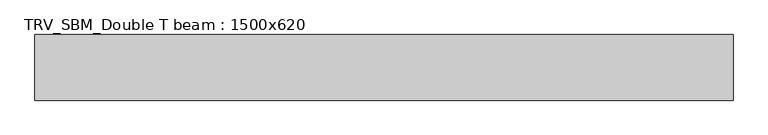
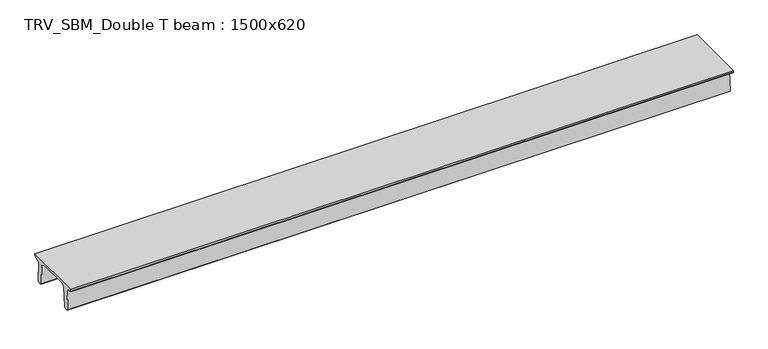
"""IFC4 building model written with IfcOpenShell, lengths in millimetres: beam geometry, TRV_SBM_Double T beam : 1500x620."""

from ifc_helpers import new_model, si_unit, frame, origin, place, context, project, spatial, polyline, outline, extrude, source, transform, mapped, element, save


def trv_sbm_double_t_beam_1500x620_81105795(model_context):
    return source(origin(), model_context, "Body", "SweptSolid", [
        extrude(outline(polyline([(-765.0, 215.0), (-765.0, 260.0), (735.0, 260.0), (735.0, 215.0), (728.2094488, 201.315559), (578.0626443, 140.6523122), (594.8277662, -339.4379646), (574.2657308, -360.0), (484.2657308, -360.0), (464.786332, -340.5206011), (447.8600761, 144.18395), (338.3237744, 210.0), (-367.4555014, 210.0), (-476.5389732, 151.9992892), (-507.0080378, -339.3850967), (-527.622941, -360.0), (-615.122941, -360.0), (-637.1143055, -338.0086356), (-606.1572167, 162.687806), (-761.3068466, 204.260024), (-765.0, 215.0)])), frame((-7979.5, 0.0, 0.0), z_axis=(1.0, 0.0, 0.0), x_axis=(0.0, 1.0, 0.0)), (0.0, 0.0, 1.0), 15959.0),
    ])


if __name__ == "__main__":
    model = new_model("IFC4")
    model_context = context("Model", 3, world=origin())
    ifc_project = project(units=[si_unit("LENGTHUNIT", "METRE", prefix="MILLI")], contexts=[model_context])
    site = spatial("IfcSite", under=ifc_project)
    building = spatial("IfcBuilding", under=site)
    placement = place(None, origin())
    trv_sbm_double_t_beam_1500x620_shape = trv_sbm_double_t_beam_1500x620_81105795(model_context)
    element("IfcBeam", 1, ObjectType="TRV_SBM_Double T beam : 1500x620", at=placement, inside=building, context=model_context, shape_type="MappedRepresentation", body=[
        mapped(trv_sbm_double_t_beam_1500x620_shape, transform((0.0, 0.0, 0.0), x_axis=(1.0, 0.0, 0.0), y_axis=(0.0, 1.0, 0.0), z_axis=(0.0, 0.0, 1.0))),
    ])
    save(model, "model.ifc")
